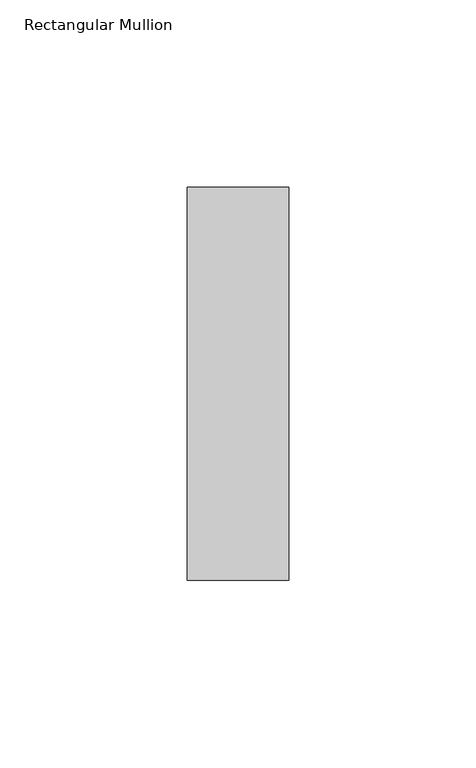
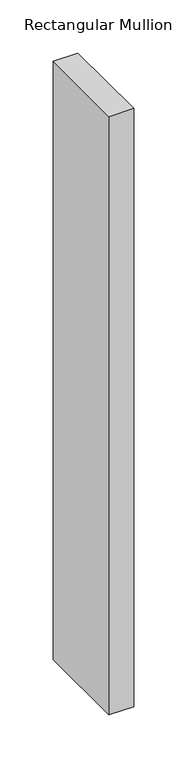
"""IFC4 building model written with IfcOpenShell, lengths in millimetres: member geometry, Rectangular Mullion."""

from ifc_helpers import new_model, si_unit, frame, origin, place, context, project, spatial, polyline, outline, extrude, source, transform, mapped, element, save


def rectangular_mullion_fcaeadaf(model_context):
    return source(origin(), model_context, "Body", "SweptSolid", [
        extrude(outline(polyline([(-27.0, 52.3975), (0.0, 52.3975), (0.0, -52.3975), (-27.0, -52.3975), (-27.0, 52.3975)])), frame((0.0, 0.0, -688.0), z_axis=(0.0, 0.0, 1.0), x_axis=(1.0, 0.0, 0.0)), (0.0, 0.0, 1.0), 688.0),
    ])


if __name__ == "__main__":
    model = new_model("IFC4")
    model_context = context("Model", 3, world=origin())
    ifc_project = project(units=[si_unit("LENGTHUNIT", "METRE", prefix="MILLI")], contexts=[model_context])
    site = spatial("IfcSite", under=ifc_project)
    building = spatial("IfcBuilding", under=site)
    placement = place(None, origin())
    rectangular_mullion_shape = rectangular_mullion_fcaeadaf(model_context)
    element("IfcMember", 1, ObjectType="Rectangular Mullion", at=placement, inside=building, context=model_context, shape_type="MappedRepresentation", body=[
        mapped(rectangular_mullion_shape, transform((0.0, 0.0, 0.0), x_axis=(1.0, 0.0, 0.0), y_axis=(0.0, 1.0, 0.0), z_axis=(0.0, 0.0, 1.0))),
    ])
    save(model, "model.ifc")
